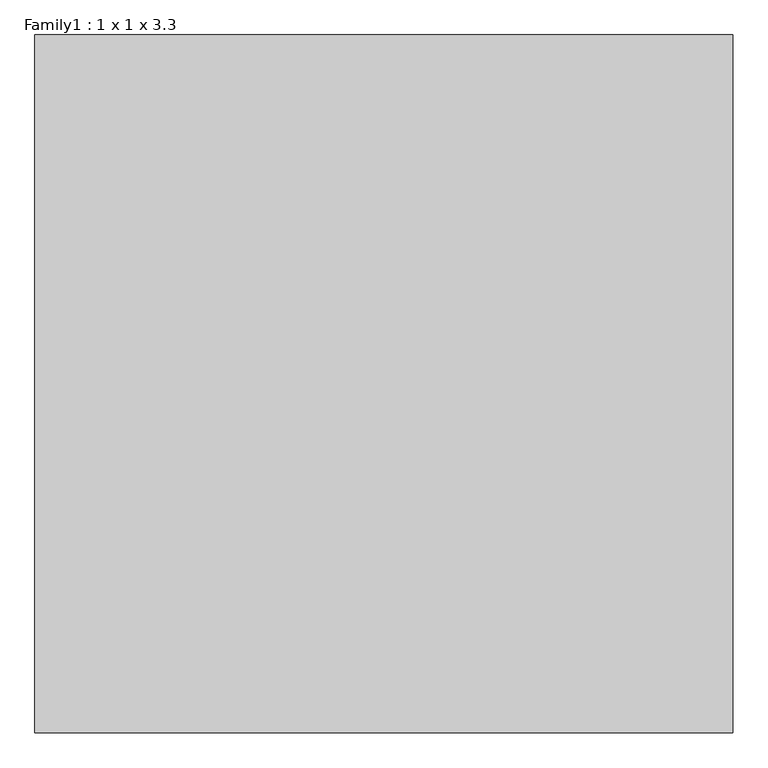
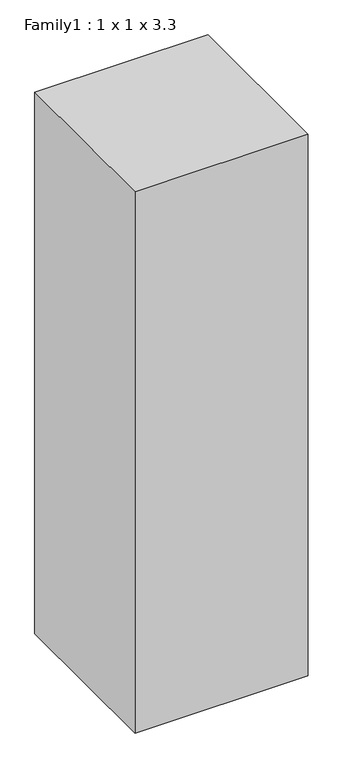
"""IFC4 building model written with IfcOpenShell, lengths in millimetres: proxy geometry, Family1 : 1 x 1 x 3.3."""

from ifc_helpers import new_model, si_unit, origin, origin_with_axes, place, context, project, spatial, polyline, outline, extrude, source, transform, mapped, element, save


def family1_1_x_1_x_3_3_305be248(model_context):
    return source(origin(), model_context, "Body", "SweptSolid", [
        extrude(outline(polyline([(400.0, 600.0), (400.0, -400.0), (-600.0, -400.0), (-600.0, 600.0), (400.0, 600.0)])), origin_with_axes(), (0.0, 0.0, 1.0), 3300.0),
    ])


if __name__ == "__main__":
    model = new_model("IFC4")
    model_context = context("Model", 3, world=origin())
    ifc_project = project(units=[si_unit("LENGTHUNIT", "METRE", prefix="MILLI")], contexts=[model_context])
    site = spatial("IfcSite", under=ifc_project)
    building = spatial("IfcBuilding", under=site)
    placement = place(None, origin())
    family1_1_x_1_x_3_3_shape = family1_1_x_1_x_3_3_305be248(model_context)
    element("IfcBuildingElementProxy", 1, Name="Family1 : 1 x 1 x 3.3", ObjectType="Family1 : 1 x 1 x 3.3", at=placement, inside=building, context=model_context, shape_type="MappedRepresentation", body=[
        mapped(family1_1_x_1_x_3_3_shape, transform((0.0, 0.0, 0.0), x_axis=(1.0, 0.0, 0.0), y_axis=(0.0, 1.0, 0.0), z_axis=(0.0, 0.0, 1.0))),
    ])
    save(model, "model.ifc")
